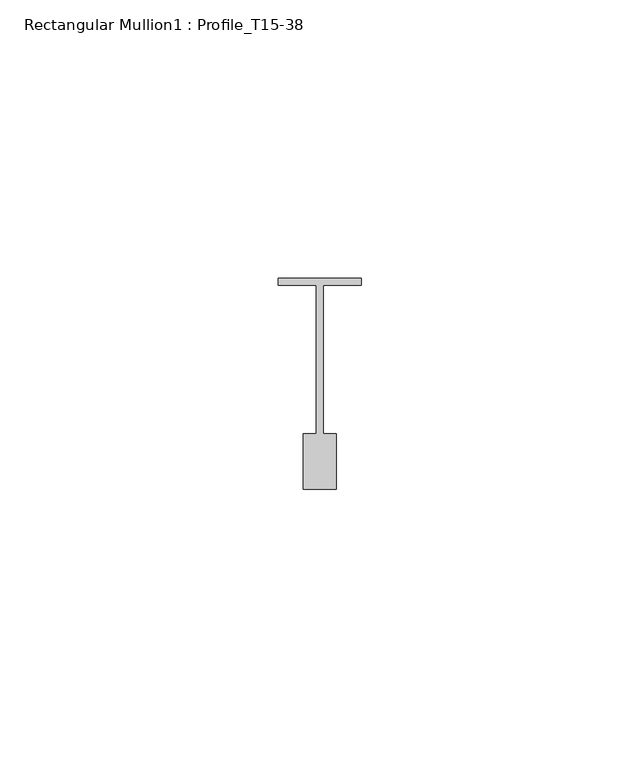
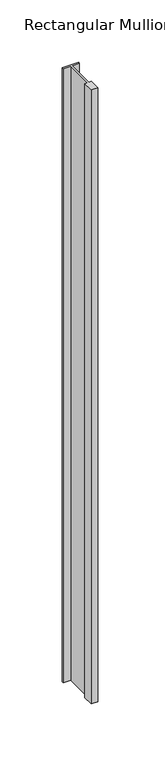
"""IFC4 building model written with IfcOpenShell, lengths in millimetres: member geometry, Rectangular Mullion1 : Profile_T15-38."""

from ifc_helpers import new_model, si_unit, frame, origin, place, context, project, spatial, polyline, outline, extrude, source, transform, mapped, element, save


def rectangular_mullion1_profile_t15_38_99af9cd4(model_context):
    return source(origin(), model_context, "Body", "SweptSolid", [
        extrude(outline(polyline([(-7.5, 1.5), (7.5, 1.5), (7.5, 0.25), (0.6, 0.25), (0.6, -26.5), (3.0, -26.5), (3.0, -36.5), (-3.0, -36.5), (-3.0, -26.5), (-0.6, -26.5), (-0.6, 0.25), (-7.5, 0.25), (-7.5, 1.5)])), frame((0.0, 0.0, -600.0), z_axis=(0.0, 0.0, 1.0), x_axis=(1.0, 0.0, 0.0)), (0.0, 0.0, 1.0), 600.0),
    ])


if __name__ == "__main__":
    model = new_model("IFC4")
    model_context = context("Model", 3, world=origin())
    ifc_project = project(units=[si_unit("LENGTHUNIT", "METRE", prefix="MILLI")], contexts=[model_context])
    site = spatial("IfcSite", under=ifc_project)
    building = spatial("IfcBuilding", under=site)
    placement = place(None, origin())
    rectangular_mullion1_profile_t15_38_shape = rectangular_mullion1_profile_t15_38_99af9cd4(model_context)
    element("IfcMember", 1, ObjectType="Rectangular Mullion1 : Profile_T15-38", at=placement, inside=building, context=model_context, shape_type="MappedRepresentation", body=[
        mapped(rectangular_mullion1_profile_t15_38_shape, transform((0.0, 0.0, 0.0), x_axis=(1.0, 0.0, 0.0), y_axis=(0.0, 1.0, 0.0), z_axis=(0.0, 0.0, 1.0))),
    ])
    save(model, "model.ifc")
